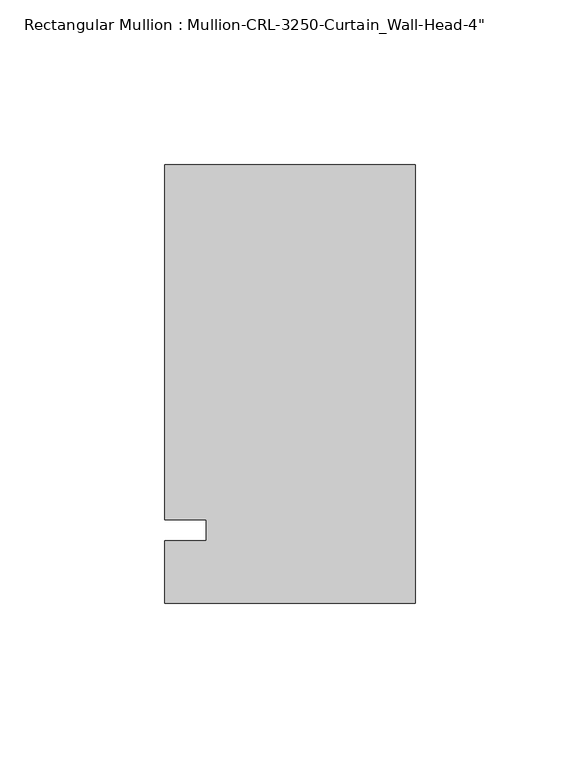
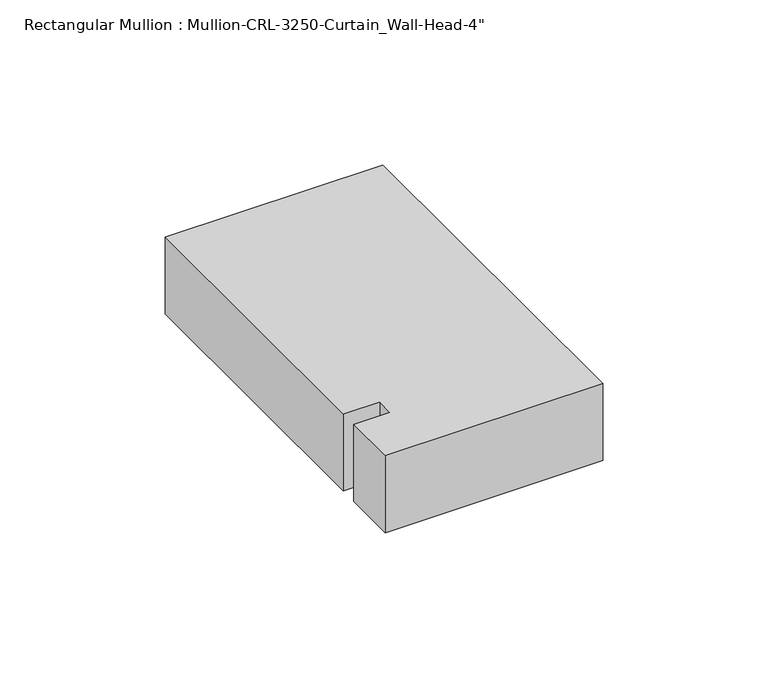
"""IFC4 building model written with IfcOpenShell, lengths in millimetres: member geometry."""

from ifc_helpers import new_model, si_unit, frame, origin, place, context, project, spatial, polyline, outline, extrude, source, transform, mapped, element, save


def member_cfb2a3a7(model_context):
    return source(origin(), model_context, "Body", "SweptSolid", [
        extrude(outline(polyline([(0.0, -22.2254168), (-76.199997, -22.2254168), (-76.199997, -3.175), (-63.499997, -3.175), (-63.499997, 3.175), (-76.199997, 3.175), (-76.199997, 111.1245832), (0.0, 111.1245832), (0.0, -22.2254168)])), frame((0.0, 0.0, -28.5821059), z_axis=(0.0, 0.0, 1.0), x_axis=(1.0, 0.0, 0.0)), (0.0, 0.0, 1.0), 28.5821059),
    ])


if __name__ == "__main__":
    model = new_model("IFC4")
    model_context = context("Model", 3, world=origin())
    ifc_project = project(units=[si_unit("LENGTHUNIT", "METRE", prefix="MILLI")], contexts=[model_context])
    site = spatial("IfcSite", under=ifc_project)
    building = spatial("IfcBuilding", under=site)
    placement = place(None, origin())
    member_shape = member_cfb2a3a7(model_context)
    element("IfcMember", 1, ObjectType="Rectangular Mullion : Mullion-CRL-3250-Curtain_Wall-Head-4\"", at=placement, inside=building, context=model_context, shape_type="MappedRepresentation", body=[
        mapped(member_shape, transform((0.0, 0.0, 0.0), x_axis=(1.0, 0.0, 0.0), y_axis=(0.0, 1.0, 0.0), z_axis=(0.0, 0.0, 1.0))),
    ])
    save(model, "model.ifc")
